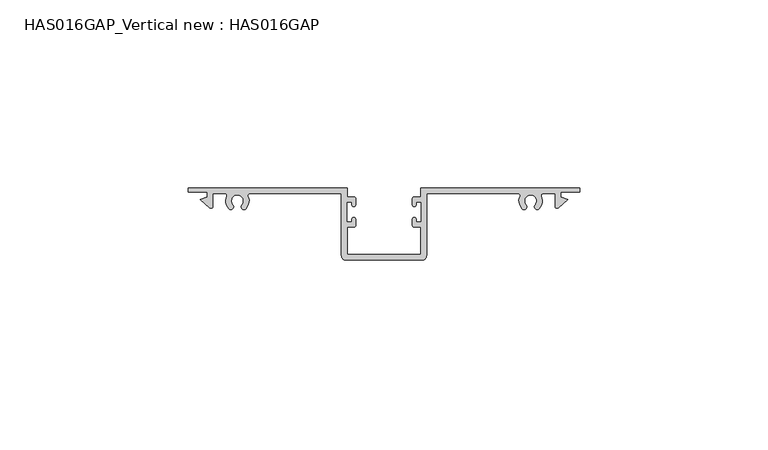
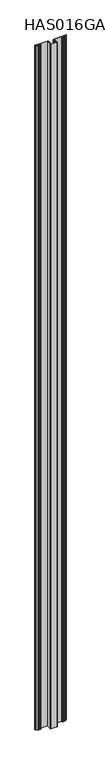
"""IFC4 building model written with IfcOpenShell, lengths in millimetres: beam geometry, HAS016GAP_Vertical new : HAS016GAP."""

import ifcopenshell
import ifcopenshell.guid

model = None  # the IFC model being written
_history = None  # IfcOwnerHistory: only IFC2X3 demands one
_inside = {}  # id of a spatial element -> (the spatial element, [elements in it])
_under = {}  # id of a project, library or spatial element -> (it, [spatial elements below it])
_declared = {}  # id of a project -> (the project, [libraries it declares])
_typed = {}  # id of a type object -> (the type object, [elements of that type])
_made_of = {}  # id of a material, layer set ... -> (it, [elements and type objects made of it])


def new_model(schema):
    """Start an empty IFC model of exactly this schema.

    Asked for "IFC4X3", IfcOpenShell would pick the latest addendum, in which some entities
    have other attributes; the version numbers below select the first issue.
    IFC2X3 requires an IfcOwnerHistory on every rooted entity: one is made here for all.
    """
    global model, _history
    if schema == "IFC4X3":
        model = ifcopenshell.file(schema_version=(4, 3, 0, 0))
    else:
        model = ifcopenshell.file(schema=schema)
    _inside.clear()
    _under.clear()
    _declared.clear()
    _typed.clear()
    _made_of.clear()
    _history = None
    if model.schema == "IFC2X3":
        org = make("IfcOrganization", Name="unknown")
        user = make(
            "IfcPersonAndOrganization",
            ThePerson=make("IfcPerson", FamilyName="unknown"),
            TheOrganization=org,
        )
        app = make(
            "IfcApplication",
            ApplicationDeveloper=org,
            Version="unknown",
            ApplicationFullName="unknown",
            ApplicationIdentifier="unknown",
        )
        _history = make(
            "IfcOwnerHistory",
            OwningUser=user,
            OwningApplication=app,
            ChangeAction="ADDED",
            CreationDate=0,
        )
    return model


def make(cls, **values):
    """One entity of the class cls with the attributes given. An attribute that is None is left unset."""
    return model.create_entity(
        cls, **{name: value for name, value in values.items() if value is not None}
    )


def rooted(cls, **values):
    """An entity with a GlobalId (a new one), such as an element, a storey or a relation."""
    return make(cls, GlobalId=ifcopenshell.guid.new(), OwnerHistory=_history, **values)


def si_unit(unit_type, name, prefix=None):
    """IfcSIUnit, for example si_unit("LENGTHUNIT", "METRE", prefix="MILLI")."""
    return make("IfcSIUnit", UnitType=unit_type, Prefix=prefix, Name=name)


def assignment(units):
    """IfcUnitAssignment: the units of a project."""
    return None if units is None else make("IfcUnitAssignment", Units=units)


def point(xyz):
    """IfcCartesianPoint."""
    return None if xyz is None else make("IfcCartesianPoint", Coordinates=xyz)


def direction(xyz):
    """IfcDirection."""
    return None if xyz is None else make("IfcDirection", DirectionRatios=xyz)


def frame(location, z_axis=None, x_axis=None):
    """IfcAxis2Placement3D, a coordinate frame: its origin and axes. An axis left out is left unset."""
    return make(
        "IfcAxis2Placement3D",
        Location=point(location),
        Axis=direction(z_axis),
        RefDirection=direction(x_axis),
    )


def frame_2d(location, x_axis=None):
    """IfcAxis2Placement2D, a coordinate frame in the plane: its origin and x axis."""
    return make(
        "IfcAxis2Placement2D", Location=point(location), RefDirection=direction(x_axis)
    )


def origin():
    """The frame at (0, 0, 0) with its axes left unset."""
    return frame((0.0, 0.0, 0.0))


def place(relative_to, where):
    """IfcLocalPlacement: puts the frame where relative to a parent placement (None: the world)."""
    return make(
        "IfcLocalPlacement", PlacementRelTo=relative_to, RelativePlacement=where
    )


def context(
    kind, dimensions, precision=None, world=None, true_north=None, identifier=None
):
    """IfcGeometricRepresentationContext, for example the 3D "Model" context."""
    return make(
        "IfcGeometricRepresentationContext",
        ContextIdentifier=identifier,
        ContextType=kind,
        CoordinateSpaceDimension=dimensions,
        Precision=precision,
        WorldCoordinateSystem=world,
        TrueNorth=true_north,
    )


def project(units=None, contexts=None):
    """IfcProject with its units and contexts."""
    return rooted(
        "IfcProject",
        Name="project",
        RepresentationContexts=contexts,
        UnitsInContext=assignment(units),
    )


def spatial(cls, under=None, at=None, **own):
    """A site, building, storey or space (cls), placed at a placement, below another one or the project."""
    s = rooted(cls, ObjectPlacement=at, **own)
    if under is not None:
        _under.setdefault(under.id(), (under, []))[1].append(s)
    return s


def polyline(points):
    """IfcPolyline through the points."""
    return make("IfcPolyline", Points=[point(p) for p in points])


def circle_curve(where, radius):
    """IfcCircle in the frame where."""
    return make("IfcCircle", Position=where, Radius=radius)


def trimmed(basis, trim1, trim2, sense, master):
    """IfcTrimmedCurve: the piece of a basis curve between two trims."""
    return make(
        "IfcTrimmedCurve",
        BasisCurve=basis,
        Trim1=trim1,
        Trim2=trim2,
        SenseAgreement=sense,
        MasterRepresentation=master,
    )


def segment(curve, same_sense, transition):
    """IfcCompositeCurveSegment."""
    return make(
        "IfcCompositeCurveSegment",
        Transition=transition,
        SameSense=same_sense,
        ParentCurve=curve,
    )


def composite_curve(segments, self_intersect=None):
    """IfcCompositeCurve: segments joined end to end."""
    return make("IfcCompositeCurve", Segments=segments, SelfIntersect=self_intersect)


def outline(outer, holes=None, kind="AREA"):
    """IfcArbitraryClosedProfileDef: a profile drawn as a closed curve; with holes, ...WithVoids."""
    if holes is None:
        return make("IfcArbitraryClosedProfileDef", ProfileType=kind, OuterCurve=outer)
    return make(
        "IfcArbitraryProfileDefWithVoids",
        ProfileType=kind,
        OuterCurve=outer,
        InnerCurves=holes,
    )


def extrude(swept, where, along, depth):
    """IfcExtrudedAreaSolid: the profile swept, set in the frame where, extruded along a direction by depth."""
    return make(
        "IfcExtrudedAreaSolid",
        SweptArea=swept,
        Position=where,
        ExtrudedDirection=direction(along),
        Depth=depth,
    )


def shape(context_of_items, identifier, shape_type, items):
    """IfcShapeRepresentation: the items that make up one representation, for example the "Body"."""
    return make(
        "IfcShapeRepresentation",
        ContextOfItems=context_of_items,
        RepresentationIdentifier=identifier,
        RepresentationType=shape_type,
        Items=items,
    )


def source(mapping_origin, context_of_items, identifier, shape_type, items):
    """IfcRepresentationMap: a shape defined once, which mapped items show again and again."""
    return make(
        "IfcRepresentationMap",
        MappingOrigin=mapping_origin,
        MappedRepresentation=shape(context_of_items, identifier, shape_type, items),
    )


def transform(
    local_origin,
    x_axis=None,
    y_axis=None,
    z_axis=None,
    scale=None,
    scale2=None,
    scale3=None,
    uniform=True,
):
    """IfcCartesianTransformationOperator3D, or its non-uniform kind. x_axis, y_axis, z_axis: its Axis1, 2, 3."""
    if uniform:
        return make(
            "IfcCartesianTransformationOperator3D",
            Axis1=direction(x_axis),
            Axis2=direction(y_axis),
            LocalOrigin=point(local_origin),
            Scale=scale,
            Axis3=direction(z_axis),
        )
    return make(
        "IfcCartesianTransformationOperator3DnonUniform",
        Axis1=direction(x_axis),
        Axis2=direction(y_axis),
        LocalOrigin=point(local_origin),
        Scale=scale,
        Axis3=direction(z_axis),
        Scale2=scale2,
        Scale3=scale3,
    )


def mapped(mapping_source, mapping_target):
    """IfcMappedItem: shows the shape of a source again, moved by a transform."""
    return make(
        "IfcMappedItem", MappingSource=mapping_source, MappingTarget=mapping_target
    )


def made_of(thing, what):
    """Note that an element or type object is made of a material, layer set ...; save() writes the relation."""
    if what is not None:
        _made_of.setdefault(what.id(), (what, []))[1].append(thing)
    return thing


def element(
    cls,
    number,
    at=None,
    inside=None,
    cuts=None,
    type_object=None,
    material=None,
    context=None,
    identifier="Body",
    shape_type=None,
    held_by="IfcProductDefinitionShape",
    body=None,
    shapes=None,
    **own,
):
    """One element of the class cls, such as IfcWall. Its Tag is "e" and its number.

    at: its placement. inside: the storey or other place that contains it. cuts: it is an
    opening in that element (IfcRelVoidsElement). A single representation is given by context,
    identifier, shape_type and body (its items); several are given by shapes. held_by: the class
    of the entity that holds the representations. save() writes the other relations.
    """
    e = rooted(cls, Tag="e%d" % number, ObjectPlacement=at, **own)
    if body is not None:
        shapes = [shape(context, identifier, shape_type, body)]
    if shapes is not None:
        e.Representation = make(held_by, Representations=shapes)
    if inside is not None:
        _inside.setdefault(inside.id(), (inside, []))[1].append(e)
    if cuts is not None:
        rooted(
            "IfcRelVoidsElement", RelatingBuildingElement=cuts, RelatedOpeningElement=e
        )
    if type_object is not None:
        _typed.setdefault(type_object.id(), (type_object, []))[1].append(e)
    return made_of(e, material)


def aggregate(whole, parts):
    """IfcRelAggregates: a whole, such as a stair, and the parts it consists of."""
    return rooted("IfcRelAggregates", RelatingObject=whole, RelatedObjects=parts)


def save(model, path):
    """Write the relations noted so far, then the file.

    IfcRelAggregates (storeys below a building ...), IfcRelContainedInSpatialStructure (elements
    in a storey), IfcRelDefinesByType, IfcRelAssociatesMaterial and IfcRelDeclares: one each for
    every whole, place, type object, material and project.
    """
    for whole, parts in _under.values():
        aggregate(whole, parts)
    for where, things in _inside.values():
        rooted(
            "IfcRelContainedInSpatialStructure",
            RelatedElements=things,
            RelatingStructure=where,
        )
    for kind, things in _typed.values():
        rooted("IfcRelDefinesByType", RelatedObjects=things, RelatingType=kind)
    for what, things in _made_of.values():
        rooted("IfcRelAssociatesMaterial", RelatedObjects=things, RelatingMaterial=what)
    for by, libraries in _declared.values():
        rooted("IfcRelDeclares", RelatingContext=by, RelatedDefinitions=libraries)
    model.write(path)


def has016gap_vertical_new_has016gap_78d72558(model_context):
    return source(origin(), model_context, "Body", "SweptSolid", [
        extrude(outline(composite_curve([segment(trimmed(circle_curve(frame_2d((-8.0306985, -8.2824253)), 0.5019187), [point((-8.5326172, -8.2824253))], [point((-7.5287799, -8.2824253))], False, "CARTESIAN"), True, "CONTINUOUS"), segment(polyline([(-7.5287799, -8.2824253), (-7.5287799, -9.8877976)]), True, "CONTINUOUS"), segment(trimmed(circle_curve(frame_2d((-8.0306985, -9.8877976)), 0.5019187), [point((-7.5287799, -9.8877976))], [point((-8.0306985, -10.3897162))], False, "CARTESIAN"), True, "CONTINUOUS"), segment(polyline([(-8.0306985, -10.3897162), (-9.737222, -10.3897162), (-9.737222, -17.6173449), (9.7422412, -17.6173449), (9.7422412, -10.3897162), (8.0357177, -10.3897162)]), True, "CONTINUOUS"), segment(trimmed(circle_curve(frame_2d((8.0357177, -9.8877976)), 0.5019187), [point((8.0357177, -10.3897162))], [point((7.5337991, -9.8877976))], False, "CARTESIAN"), True, "CONTINUOUS"), segment(polyline([(7.5337991, -9.8877976), (7.5337991, -8.2824253)]), True, "CONTINUOUS"), segment(trimmed(circle_curve(frame_2d((8.0357177, -8.2824253)), 0.5019187), [point((7.5337991, -8.2824253))], [point((8.5376364, -8.2824253))], False, "CARTESIAN"), True, "CONTINUOUS"), segment(polyline([(8.5376364, -8.2824253), (8.5376364, -9.0847277), (9.9430086, -9.0847277), (9.9430086, -3.6640062), (8.5376364, -3.6640062), (8.5376364, -4.4663086)]), True, "CONTINUOUS"), segment(trimmed(circle_curve(frame_2d((8.0357177, -4.4663086)), 0.5019187), [point((8.5376364, -4.4663086))], [point((7.5337991, -4.4663086))], False, "CARTESIAN"), True, "CONTINUOUS"), segment(polyline([(7.5337991, -4.4663086), (7.5337991, -2.8609364)]), True, "CONTINUOUS"), segment(trimmed(circle_curve(frame_2d((8.0357177, -2.8609364)), 0.5019187), [point((7.5337991, -2.8609364))], [point((8.0357177, -2.3590177))], False, "CARTESIAN"), True, "CONTINUOUS"), segment(polyline([(8.0357177, -2.3590177), (9.7422412, -2.3590177), (9.737222, 0.0), (51.998773, 0.0), (51.998773, -1.0038373), (46.9293945, -1.0038373), (46.9293945, -2.3590177), (48.821712, -3.0477649), (46.2521583, -5.2497332)]), True, "CONTINUOUS"), segment(trimmed(circle_curve(frame_2d((45.9255572, -4.868611)), 0.5019187), [point((46.2521583, -5.2497332))], [point((45.4236386, -4.868611))], False, "CARTESIAN"), True, "CONTINUOUS"), segment(polyline([(45.4236386, -4.868611), (45.4236386, -1.505756), (42.1260549, -1.505756)]), True, "CONTINUOUS"), segment(trimmed(circle_curve(frame_2d((42.1260549, -1.9072701)), 0.4015141), [point((42.1260549, -1.505756))], [point((41.7632536, -2.079284))], True, "CARTESIAN"), True, "CONTINUOUS"), segment(trimmed(circle_curve(frame_2d((38.9513975, -3.4124606)), 3.1118957), [point((41.7632536, -2.079284))], [point((41.2860766, -5.4699271))], False, "CARTESIAN"), True, "CONTINUOUS"), segment(trimmed(circle_curve(frame_2d((40.7212349, -4.9721529)), 0.752878), [point((41.2860766, -5.4699271))], [point((40.1563931, -4.4743788))], False, "CARTESIAN"), True, "CONTINUOUS"), segment(trimmed(circle_curve(frame_2d((38.9513975, -3.4124606)), 1.6061397), [point((40.1563931, -4.4743788))], [point((38.9513975, -1.8063209))], True, "CARTESIAN"), True, "CONTINUOUS"), segment(trimmed(circle_curve(frame_2d((38.9513975, -3.4124606)), 1.6061397), [point((38.9513975, -1.8063209))], [point((37.7464018, -4.4743788))], True, "CARTESIAN"), True, "CONTINUOUS"), segment(trimmed(circle_curve(frame_2d((37.1815601, -4.9721529)), 0.752878), [point((37.7464018, -4.4743788))], [point((36.6167184, -5.4699271))], False, "CARTESIAN"), True, "CONTINUOUS"), segment(trimmed(circle_curve(frame_2d((38.9513975, -3.4124606)), 3.1118957), [point((36.6167184, -5.4699271))], [point((36.1395259, -2.0793166))], False, "CARTESIAN"), True, "CONTINUOUS"), segment(trimmed(circle_curve(frame_2d((35.7766993, -1.9072958)), 0.4015399), [point((36.1395259, -2.0793166))], [point((35.7766993, -1.505756))], True, "CARTESIAN"), True, "CONTINUOUS"), segment(polyline([(35.7766993, -1.505756), (11.298189, -1.505756), (11.298189, -17.968688)]), True, "CONTINUOUS"), segment(trimmed(circle_curve(frame_2d((10.0935842, -17.968688)), 1.2046048), [point((11.298189, -17.968688))], [point((10.0935842, -19.1732927))], False, "CARTESIAN"), True, "CONTINUOUS"), segment(polyline([(10.0935842, -19.1732927), (-10.088565, -19.1732927)]), True, "CONTINUOUS"), segment(trimmed(circle_curve(frame_2d((-10.088565, -17.968688)), 1.2046048), [point((-10.088565, -19.1732927))], [point((-11.2931698, -17.968688))], False, "CARTESIAN"), True, "CONTINUOUS"), segment(polyline([(-11.2931698, -17.968688), (-11.2931698, -1.505756), (-35.7716106, -1.505756)]), True, "CONTINUOUS"), segment(trimmed(circle_curve(frame_2d((-35.7716106, -1.9073398)), 0.4015838), [point((-35.7716106, -1.505756))], [point((-36.1344804, -2.0793722))], True, "CARTESIAN"), True, "CONTINUOUS"), segment(trimmed(circle_curve(frame_2d((-38.9463783, -3.4124606)), 3.1118957), [point((-36.1344804, -2.0793722))], [point((-36.6116992, -5.4699271))], False, "CARTESIAN"), True, "CONTINUOUS"), segment(trimmed(circle_curve(frame_2d((-37.1765409, -4.9721529)), 0.752878), [point((-36.6116992, -5.4699271))], [point((-37.7413826, -4.4743788))], False, "CARTESIAN"), True, "CONTINUOUS"), segment(trimmed(circle_curve(frame_2d((-38.9463783, -3.4124606)), 1.6061397), [point((-37.7413826, -4.4743788))], [point((-38.9268552, -1.8064396))], True, "CARTESIAN"), True, "CONTINUOUS"), segment(trimmed(circle_curve(frame_2d((-38.9463783, -3.4124606)), 1.6061397), [point((-38.9268552, -1.8064396))], [point((-40.151374, -4.4743788))], True, "CARTESIAN"), True, "CONTINUOUS"), segment(trimmed(circle_curve(frame_2d((-40.7162157, -4.9721529)), 0.752878), [point((-40.151374, -4.4743788))], [point((-41.2810574, -5.4699271))], False, "CARTESIAN"), True, "CONTINUOUS"), segment(trimmed(circle_curve(frame_2d((-38.9463783, -3.4124606)), 3.1118957), [point((-41.2810574, -5.4699271))], [point((-41.7582459, -2.0793081))], False, "CARTESIAN"), True, "CONTINUOUS"), segment(trimmed(circle_curve(frame_2d((-42.1210659, -1.9072892)), 0.4015332), [point((-41.7582459, -2.0793081))], [point((-42.1210659, -1.505756))], True, "CARTESIAN"), True, "CONTINUOUS"), segment(polyline([(-42.1210659, -1.505756), (-45.4236386, -1.505756), (-45.4236386, -4.868611)]), True, "CONTINUOUS"), segment(trimmed(circle_curve(frame_2d((-45.9255572, -4.868611)), 0.5019187), [point((-45.4236386, -4.868611))], [point((-46.2521583, -5.2497332))], False, "CARTESIAN"), True, "CONTINUOUS"), segment(polyline([(-46.2521583, -5.2497332), (-48.821712, -3.0477649), (-46.9293945, -2.3590177), (-46.9293945, -1.0038373), (-51.998773, -1.0038373), (-51.998773, 0.0), (-9.737222, 0.0), (-9.737222, -2.3590177), (-8.0306985, -2.3590177)]), True, "CONTINUOUS"), segment(trimmed(circle_curve(frame_2d((-8.0306985, -2.8609364)), 0.5019187), [point((-8.0306985, -2.3590177))], [point((-7.5287799, -2.8609364))], False, "CARTESIAN"), True, "CONTINUOUS"), segment(polyline([(-7.5287799, -2.8609364), (-7.5287799, -4.4663086)]), True, "CONTINUOUS"), segment(trimmed(circle_curve(frame_2d((-8.0306985, -4.4663086)), 0.5019187), [point((-7.5287799, -4.4663086))], [point((-8.5326172, -4.4663086))], False, "CARTESIAN"), True, "CONTINUOUS"), segment(polyline([(-8.5326172, -4.4663086), (-8.5326172, -3.6640062), (-9.9379894, -3.6640062), (-9.9379894, -9.0847277), (-8.5326172, -9.0847277), (-8.5326172, -8.2824253)]), True, "CONTINUOUS")], self_intersect=False)), frame((0.0, 0.0, -1200.0), z_axis=(0.0, 0.0, 1.0), x_axis=(1.0, 0.0, 0.0)), (0.0, 0.0, 1.0), 2400.0),
    ])


if __name__ == "__main__":
    model = new_model("IFC4")
    model_context = context("Model", 3, world=origin())
    ifc_project = project(units=[si_unit("LENGTHUNIT", "METRE", prefix="MILLI")], contexts=[model_context])
    site = spatial("IfcSite", under=ifc_project)
    building = spatial("IfcBuilding", under=site)
    placement = place(None, origin())
    has016gap_vertical_new_has016gap_shape = has016gap_vertical_new_has016gap_78d72558(model_context)
    element("IfcBeam", 1, ObjectType="HAS016GAP_Vertical new : HAS016GAP", at=placement, inside=building, context=model_context, shape_type="MappedRepresentation", body=[
        mapped(has016gap_vertical_new_has016gap_shape, transform((0.0, 0.0, 0.0), x_axis=(1.0, 0.0, 0.0), y_axis=(0.0, 1.0, 0.0), z_axis=(0.0, 0.0, 1.0))),
    ])
    save(model, "model.ifc")
